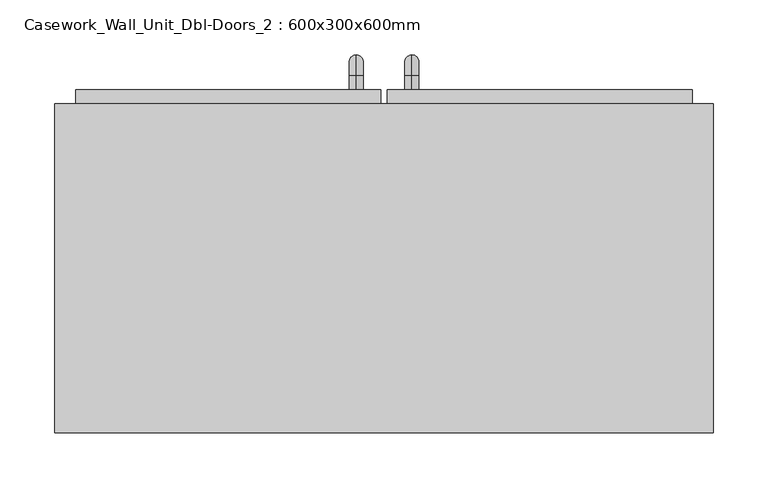
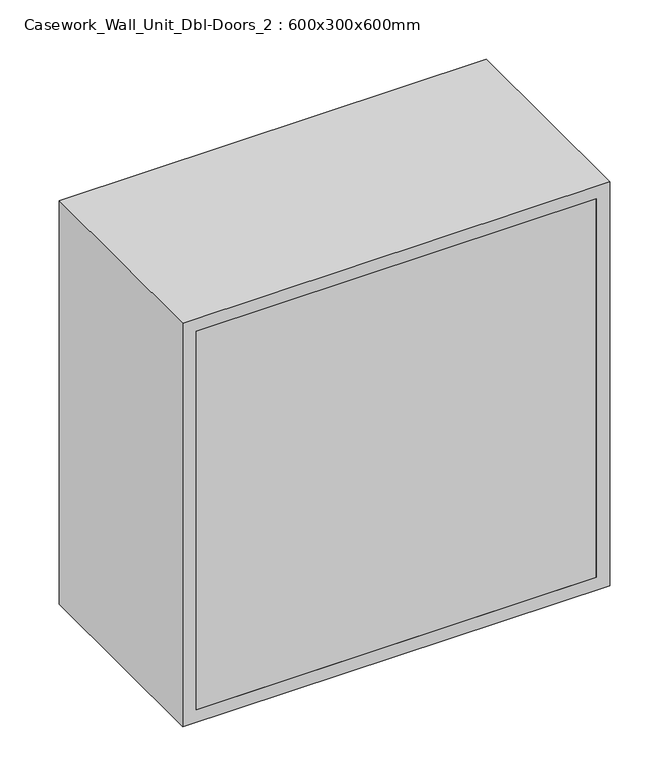
"""IFC4 building model written with IfcOpenShell, lengths in millimetres: furniture geometry, Casework_Wall_Unit_Dbl-Doors_2 : 600x300x600mm."""

from ifc_helpers import new_model, si_unit, point, frame, origin, place, context, project, spatial, polyline, circle_curve, ellipse_curve, trimmed, outline, extrude, source, transform, mapped, element, save
from ifc_brep_helpers import plane_surface, cylinder_surface, revolved_surface, advanced_brep


def casework_wall_unit_dbl_doors_2_600x300x600mm_a764bebb(model_context):
    return source(origin(), model_context, "Body", "SolidModel", [
        extrude(outline(polyline([(32.9461628, 487.7), (310.7211628, 487.7), (310.7211628, 455.95), (32.9461628, 455.95), (32.9461628, 487.7)])), frame((0.0, 0.0, 1419.05), z_axis=(0.0, 0.0, 1.0), x_axis=(1.0, 0.0, 0.0)), (0.0, 0.0, 1.0), 561.9),
        extrude(outline(polyline([(-251.1788372, 487.7), (26.5961628, 487.7), (26.5961628, 455.95), (-251.1788372, 455.95), (-251.1788372, 487.7)])), frame((0.0, 0.0, 1419.05), z_axis=(0.0, 0.0, 1.0), x_axis=(1.0, 0.0, 0.0)), (0.0, 0.0, 1.0), 561.9),
        extrude(outline(polyline([(310.7211628, 175.0), (-251.1788372, 175.0), (-251.1788372, 194.05), (310.7211628, 194.05), (310.7211628, 175.0)])), frame((0.0, 0.0, 1419.05), z_axis=(0.0, 0.0, 1.0), x_axis=(1.0, 0.0, 0.0)), (0.0, 0.0, 1.0), 561.9),
        extrude(outline(polyline([(2000.0, -270.2288372), (1400.0, -270.2288372), (1400.0, 329.7711628), (2000.0, 329.7711628), (2000.0, -270.2288372)]), holes=[polyline([(1980.95, -251.1788372), (1980.95, 310.7211628), (1419.05, 310.7211628), (1419.05, -251.1788372), (1980.95, -251.1788372)])]), frame((0.0, 175.0, 0.0), z_axis=(0.0, 1.0, 0.0), x_axis=(0.0, 0.0, 1.0)), (0.0, 0.0, 1.0), 300.0),
        advanced_brep(
        [(55.1711628, 487.7, 1546.05), (55.1711628, 487.7, 1558.75), (55.1711628, 500.4, 1546.05), (55.1711628, 500.4, 1558.75), (55.1711628, 519.45, 1539.7), (55.1711628, 506.75, 1539.7), (55.1711628, 506.75, 1463.5), (55.1711628, 519.45, 1463.5), (55.1711628, 500.4, 1444.45), (55.1711628, 500.4, 1457.15), (55.1711628, 487.7, 1457.15), (55.1711628, 487.7, 1444.45)],
        [
            (0, 1, circle_curve(frame((55.1711628, 487.7, 1552.4), z_axis=(0.0, -1.0, 0.0), x_axis=(0.0, 0.0, -1.0)), 6.35)),
            (1, 0, circle_curve(frame((55.1711628, 487.7, 1552.4), z_axis=(0.0, -1.0, 0.0), x_axis=(0.0, 0.0, -1.0)), 6.35)),
            (0, 2),
            (2, 3, circle_curve(frame((55.1711628, 500.4, 1552.4), z_axis=(0.0, -1.0, 0.0), x_axis=(0.0, 0.0, -1.0)), 6.35)),
            (3, 1),
            (3, 2, circle_curve(frame((55.1711628, 500.4, 1552.4), z_axis=(0.0, -1.0, 0.0), x_axis=(0.0, 0.0, -1.0)), 6.35)),
            (4, 3, circle_curve(frame((55.1711628, 500.4, 1539.7), z_axis=(1.0, 0.0, 0.0), x_axis=(0.0, 0.0, 1.0)), 19.05)),
            (2, 5, circle_curve(frame((55.1711628, 500.4, 1539.7), z_axis=(-1.0, 0.0, 0.0), x_axis=(0.0, 0.0, 1.0)), 6.35)),
            (5, 4, circle_curve(frame((55.1711628, 513.1, 1539.7), z_axis=(0.0, 0.0, 1.0), x_axis=(0.0, -1.0, 0.0)), 6.35)),
            (4, 5, circle_curve(frame((55.1711628, 513.1, 1539.7), z_axis=(0.0, 0.0, 1.0), x_axis=(0.0, -1.0, 0.0)), 6.35)),
            (5, 6),
            (6, 7, circle_curve(frame((55.1711628, 513.1, 1463.5), z_axis=(0.0, 0.0, 1.0), x_axis=(0.0, -1.0, 0.0)), 6.35)),
            (7, 4),
            (7, 6, circle_curve(frame((55.1711628, 513.1, 1463.5), z_axis=(0.0, 0.0, 1.0), x_axis=(0.0, -1.0, 0.0)), 6.35)),
            (8, 7, circle_curve(frame((55.1711628, 500.4, 1463.5), z_axis=(1.0, 0.0, 0.0), x_axis=(0.0, 1.0, 0.0)), 19.05)),
            (6, 9, circle_curve(frame((55.1711628, 500.4, 1463.5), z_axis=(-1.0, 0.0, 0.0), x_axis=(0.0, 1.0, 0.0)), 6.35)),
            (9, 8, circle_curve(frame((55.1711628, 500.4, 1450.8), z_axis=(0.0, 1.0, 0.0), x_axis=(0.0, 0.0, 1.0)), 6.35)),
            (8, 9, circle_curve(frame((55.1711628, 500.4, 1450.8), z_axis=(0.0, 1.0, 0.0), x_axis=(0.0, 0.0, 1.0)), 6.35)),
            (10, 11, circle_curve(frame((55.1711628, 487.7, 1450.8), z_axis=(0.0, -1.0, 0.0), x_axis=(0.0, 0.0, 1.0)), 6.35)),
            (11, 10, circle_curve(frame((55.1711628, 487.7, 1450.8), z_axis=(0.0, -1.0, 0.0), x_axis=(0.0, 0.0, 1.0)), 6.35)),
            (9, 10),
            (11, 8),
        ],
        [
            plane_surface(frame((48.8211628, 487.7, 1552.4), z_axis=(0.0, -1.0, 0.0), x_axis=(0.0, 0.0, 1.0))),
            cylinder_surface(frame((55.1711628, 487.7, 1552.4), z_axis=(0.0, -1.0, 0.0), x_axis=(0.0, 0.0, -1.0)), 6.35),
            revolved_surface(trimmed(ellipse_curve(frame((55.1711628, 500.4, 1552.4), z_axis=(0.0, -1.0, 0.0), x_axis=(0.0, 0.0, -1.0)), 6.35, 6.35), [point((55.1711628, 500.4, 1546.05))], [point((55.1711628, 500.4, 1558.75))], True, "CARTESIAN"), (55.1711628, 500.4, 1539.7), (-1.0, 0.0, 0.0)),
            revolved_surface(trimmed(ellipse_curve(frame((55.1711628, 500.4, 1552.4), z_axis=(0.0, -1.0, 0.0), x_axis=(0.0, 0.0, -1.0)), 6.35, 6.35), [point((55.1711628, 500.4, 1558.75))], [point((55.1711628, 500.4, 1546.05))], True, "CARTESIAN"), (55.1711628, 500.4, 1539.7), (-1.0, 0.0, 0.0)),
            cylinder_surface(frame((55.1711628, 513.1, 1539.7), z_axis=(0.0, 0.0, 1.0), x_axis=(0.0, -1.0, 0.0)), 6.35),
            revolved_surface(trimmed(ellipse_curve(frame((55.1711628, 513.1, 1463.5), z_axis=(0.0, 0.0, 1.0), x_axis=(0.0, -1.0, 0.0)), 6.35, 6.35), [point((55.1711628, 506.75, 1463.5))], [point((55.1711628, 519.45, 1463.5))], True, "CARTESIAN"), (55.1711628, 500.4, 1463.5), (-1.0, 0.0, 0.0)),
            revolved_surface(trimmed(ellipse_curve(frame((55.1711628, 513.1, 1463.5), z_axis=(0.0, 0.0, 1.0), x_axis=(0.0, -1.0, 0.0)), 6.35, 6.35), [point((55.1711628, 519.45, 1463.5))], [point((55.1711628, 506.75, 1463.5))], True, "CARTESIAN"), (55.1711628, 500.4, 1463.5), (-1.0, 0.0, 0.0)),
            plane_surface(frame((48.8211628, 487.7, 1450.8), z_axis=(0.0, -1.0, 0.0), x_axis=(0.0, 0.0, -1.0))),
            cylinder_surface(frame((55.1711628, 500.4, 1450.8), z_axis=(0.0, 1.0, 0.0), x_axis=(0.0, 0.0, 1.0)), 6.35),
        ],
        [
            (0, [[1, 2]]),
            (1, [[-1, 3, 4, 5]]),
            (1, [[-2, -5, 6, -3]]),
            (2, [[7, -4, 8, 9]]),
            (3, [[-8, -6, -7, 10]]),
            (4, [[-9, 11, 12, 13]]),
            (4, [[-10, -13, 14, -11]]),
            (5, [[15, -12, 16, 17]]),
            (6, [[-16, -14, -15, 18]]),
            (7, [[19, 20]]),
            (8, [[-17, 21, -20, 22]]),
            (8, [[-18, -22, -19, -21]]),
        ],
    ),
        advanced_brep(
        [(4.3711628, 487.7, 1546.05), (4.3711628, 487.7, 1558.75), (4.3711628, 500.4, 1546.05), (4.3711628, 500.4, 1558.75), (4.3711628, 519.45, 1539.7), (4.3711628, 506.75, 1539.7), (4.3711628, 506.75, 1463.5), (4.3711628, 519.45, 1463.5), (4.3711628, 500.4, 1444.45), (4.3711628, 500.4, 1457.15), (4.3711628, 487.7, 1457.15), (4.3711628, 487.7, 1444.45)],
        [
            (0, 1, circle_curve(frame((4.3711628, 487.7, 1552.4), z_axis=(0.0, -1.0, 0.0), x_axis=(0.0, 0.0, 1.0)), 6.35)),
            (1, 0, circle_curve(frame((4.3711628, 487.7, 1552.4), z_axis=(0.0, -1.0, 0.0), x_axis=(0.0, 0.0, 1.0)), 6.35)),
            (0, 2),
            (2, 3, circle_curve(frame((4.3711628, 500.4, 1552.4), z_axis=(0.0, -1.0, 0.0), x_axis=(0.0, 0.0, 1.0)), 6.35)),
            (3, 1),
            (3, 2, circle_curve(frame((4.3711628, 500.4, 1552.4), z_axis=(0.0, -1.0, 0.0), x_axis=(0.0, 0.0, 1.0)), 6.35)),
            (4, 3, circle_curve(frame((4.3711628, 500.4, 1539.7), z_axis=(1.0, 0.0, 0.0), x_axis=(0.0, 0.0, 1.0)), 19.05)),
            (2, 5, circle_curve(frame((4.3711628, 500.4, 1539.7), z_axis=(-1.0, 0.0, 0.0), x_axis=(0.0, 0.0, 1.0)), 6.35)),
            (5, 4, circle_curve(frame((4.3711628, 513.1, 1539.7), z_axis=(0.0, 0.0, 1.0), x_axis=(0.0, 1.0, 0.0)), 6.35)),
            (4, 5, circle_curve(frame((4.3711628, 513.1, 1539.7), z_axis=(0.0, 0.0, 1.0), x_axis=(0.0, 1.0, 0.0)), 6.35)),
            (5, 6),
            (6, 7, circle_curve(frame((4.3711628, 513.1, 1463.5), z_axis=(0.0, 0.0, 1.0), x_axis=(0.0, 1.0, 0.0)), 6.35)),
            (7, 4),
            (7, 6, circle_curve(frame((4.3711628, 513.1, 1463.5), z_axis=(0.0, 0.0, 1.0), x_axis=(0.0, 1.0, 0.0)), 6.35)),
            (8, 7, circle_curve(frame((4.3711628, 500.4, 1463.5), z_axis=(1.0, 0.0, 0.0), x_axis=(0.0, 1.0, 0.0)), 19.05)),
            (6, 9, circle_curve(frame((4.3711628, 500.4, 1463.5), z_axis=(-1.0, 0.0, 0.0), x_axis=(0.0, 1.0, 0.0)), 6.35)),
            (9, 8, circle_curve(frame((4.3711628, 500.4, 1450.8), z_axis=(0.0, 1.0, 0.0), x_axis=(0.0, 0.0, -1.0)), 6.35)),
            (8, 9, circle_curve(frame((4.3711628, 500.4, 1450.8), z_axis=(0.0, 1.0, 0.0), x_axis=(0.0, 0.0, -1.0)), 6.35)),
            (10, 11, circle_curve(frame((4.3711628, 487.7, 1450.8), z_axis=(0.0, -1.0, 0.0), x_axis=(0.0, 0.0, -1.0)), 6.35)),
            (11, 10, circle_curve(frame((4.3711628, 487.7, 1450.8), z_axis=(0.0, -1.0, 0.0), x_axis=(0.0, 0.0, -1.0)), 6.35)),
            (9, 10),
            (11, 8),
        ],
        [
            plane_surface(frame((-1.9788372, 487.7, 1552.4), z_axis=(0.0, -1.0, 0.0), x_axis=(0.0, 0.0, 1.0))),
            cylinder_surface(frame((4.3711628, 487.7, 1552.4), z_axis=(0.0, -1.0, 0.0), x_axis=(0.0, 0.0, 1.0)), 6.35),
            revolved_surface(trimmed(ellipse_curve(frame((4.3711628, 500.4, 1552.4), z_axis=(0.0, -1.0, 0.0), x_axis=(0.0, 0.0, 1.0)), 6.35, 6.35), [point((4.3711628, 500.4, 1546.05))], [point((4.3711628, 500.4, 1558.75))], True, "CARTESIAN"), (4.3711628, 500.4, 1539.7), (-1.0, 0.0, 0.0)),
            revolved_surface(trimmed(ellipse_curve(frame((4.3711628, 500.4, 1552.4), z_axis=(0.0, -1.0, 0.0), x_axis=(0.0, 0.0, 1.0)), 6.35, 6.35), [point((4.3711628, 500.4, 1558.75))], [point((4.3711628, 500.4, 1546.05))], True, "CARTESIAN"), (4.3711628, 500.4, 1539.7), (-1.0, 0.0, 0.0)),
            cylinder_surface(frame((4.3711628, 513.1, 1539.7), z_axis=(0.0, 0.0, 1.0), x_axis=(0.0, 1.0, 0.0)), 6.35),
            revolved_surface(trimmed(ellipse_curve(frame((4.3711628, 513.1, 1463.5), z_axis=(0.0, 0.0, 1.0), x_axis=(0.0, 1.0, 0.0)), 6.35, 6.35), [point((4.3711628, 506.75, 1463.5))], [point((4.3711628, 519.45, 1463.5))], True, "CARTESIAN"), (4.3711628, 500.4, 1463.5), (-1.0, 0.0, 0.0)),
            revolved_surface(trimmed(ellipse_curve(frame((4.3711628, 513.1, 1463.5), z_axis=(0.0, 0.0, 1.0), x_axis=(0.0, 1.0, 0.0)), 6.35, 6.35), [point((4.3711628, 519.45, 1463.5))], [point((4.3711628, 506.75, 1463.5))], True, "CARTESIAN"), (4.3711628, 500.4, 1463.5), (-1.0, 0.0, 0.0)),
            plane_surface(frame((-1.9788372, 487.7, 1450.8), z_axis=(0.0, -1.0, 0.0), x_axis=(0.0, 0.0, -1.0))),
            cylinder_surface(frame((4.3711628, 500.4, 1450.8), z_axis=(0.0, 1.0, 0.0), x_axis=(0.0, 0.0, -1.0)), 6.35),
        ],
        [
            (0, [[1, 2]]),
            (1, [[-1, 3, 4, 5]]),
            (1, [[-2, -5, 6, -3]]),
            (2, [[7, -4, 8, 9]]),
            (3, [[-8, -6, -7, 10]]),
            (4, [[-9, 11, 12, 13]]),
            (4, [[-10, -13, 14, -11]]),
            (5, [[15, -12, 16, 17]]),
            (6, [[-16, -14, -15, 18]]),
            (7, [[19, 20]]),
            (8, [[-17, 21, -20, 22]]),
            (8, [[-18, -22, -19, -21]]),
        ],
    ),
    ])


if __name__ == "__main__":
    model = new_model("IFC4")
    model_context = context("Model", 3, world=origin())
    ifc_project = project(units=[si_unit("LENGTHUNIT", "METRE", prefix="MILLI")], contexts=[model_context])
    site = spatial("IfcSite", under=ifc_project)
    building = spatial("IfcBuilding", under=site)
    placement = place(None, origin())
    casework_wall_unit_dbl_doors_2_600x300x600mm_shape = casework_wall_unit_dbl_doors_2_600x300x600mm_a764bebb(model_context)
    element("IfcFurniture", 1, ObjectType="Casework_Wall_Unit_Dbl-Doors_2 : 600x300x600mm", at=placement, inside=building, context=model_context, shape_type="MappedRepresentation", body=[
        mapped(casework_wall_unit_dbl_doors_2_600x300x600mm_shape, transform((0.0, 0.0, 0.0), x_axis=(1.0, 0.0, 0.0), y_axis=(0.0, 1.0, 0.0), z_axis=(0.0, 0.0, 1.0))),
    ])
    save(model, "model.ifc")
